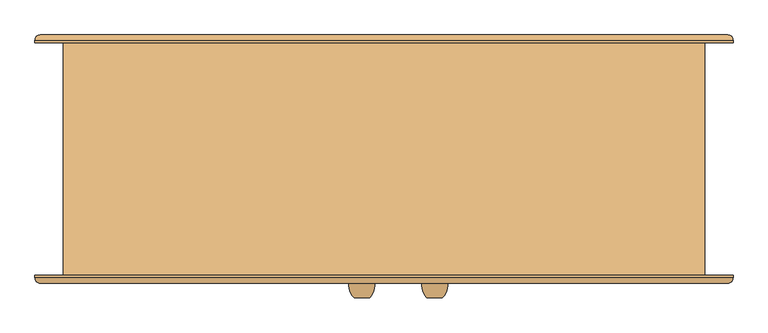
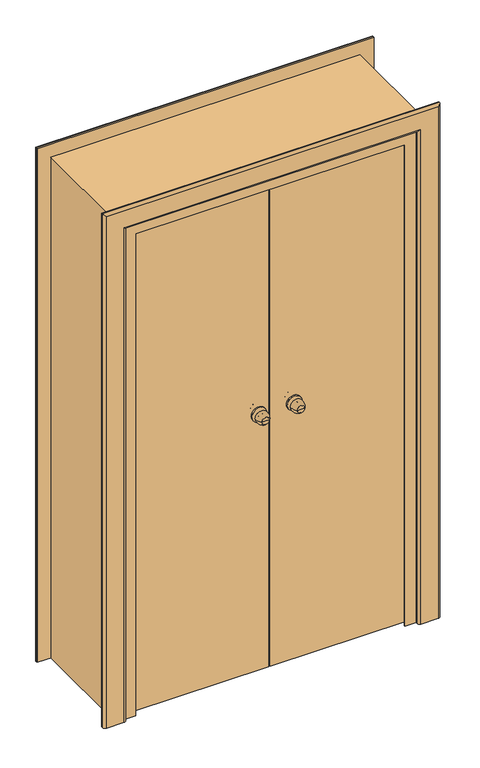
"""IFC4 building model written with IfcOpenShell, lengths in millimetres: door geometry."""

from ifc_helpers import new_model, si_unit, point, frame, origin, place, context, project, spatial, polyline, circle_curve, ellipse_curve, trimmed, outline, extrude, faceted_brep, source, transform, mapped, element, save
from ifc_brep_helpers import plane_surface, cylinder_surface, revolved_surface, advanced_brep


def door_4a08980d(model_context):
    return source(origin(), model_context, "Body", "SolidModel", [
        advanced_brep(
        [(-123.0, -268.0, 1100.0), (-153.0, -268.0, 1100.0), (-138.0, -268.0, 1100.0), (-113.0, -238.0, 1100.0), (-163.0, -238.0, 1100.0), (-120.0, -238.0, 1100.0), (-156.0, -238.0, 1100.0), (-128.0, -230.0, 1100.0), (-148.0, -230.0, 1100.0), (-128.0, -224.0, 1100.0), (-148.0, -224.0, 1100.0), (-168.0, -224.0, 1100.0), (-108.0, -224.0, 1100.0), (-168.0, -218.0, 1100.0), (-108.0, -218.0, 1100.0)],
        [
            (0, 1, circle_curve(frame((-138.0, -268.0, 1100.0), z_axis=(0.0, -1.0, 0.0), x_axis=(-1.0, 0.0, 0.0)), 15.0)),
            (1, 2),
            (2, 0),
            (1, 0, circle_curve(frame((-138.0, -268.0, 1100.0), z_axis=(0.0, -1.0, 0.0), x_axis=(-1.0, 0.0, 0.0)), 15.0)),
            (0, 3, circle_curve(frame((-147.6226265, -243.1257912, 1100.0), z_axis=(0.0, 0.0, 1.0), x_axis=(-1.0, 0.0, 0.0)), 35.0)),
            (3, 4, circle_curve(frame((-138.0, -238.0, 1100.0), z_axis=(0.0, -1.0, 0.0), x_axis=(-1.0, 0.0, 0.0)), 25.0)),
            (4, 1, circle_curve(frame((-128.3773735, -243.1257912, 1100.0), z_axis=(0.0, 0.0, 1.0), x_axis=(1.0, 0.0, 0.0)), 35.0)),
            (4, 3, circle_curve(frame((-138.0, -238.0, 1100.0), z_axis=(0.0, -1.0, 0.0), x_axis=(-1.0, 0.0, 0.0)), 25.0)),
            (3, 5),
            (5, 6, circle_curve(frame((-138.0, -238.0, 1100.0), z_axis=(0.0, -1.0, 0.0), x_axis=(-1.0, 0.0, 0.0)), 18.0)),
            (6, 4),
            (6, 5, circle_curve(frame((-138.0, -238.0, 1100.0), z_axis=(0.0, -1.0, 0.0), x_axis=(-1.0, 0.0, 0.0)), 18.0)),
            (5, 7, circle_curve(frame((-120.0, -230.0, 1100.0), z_axis=(0.0, 0.0, -1.0), x_axis=(-1.0, 0.0, 0.0)), 8.0)),
            (7, 8, circle_curve(frame((-138.0, -230.0, 1100.0), z_axis=(0.0, -1.0, 0.0), x_axis=(-1.0, 0.0, 0.0)), 10.0)),
            (8, 6, circle_curve(frame((-156.0, -230.0, 1100.0), z_axis=(0.0, 0.0, -1.0), x_axis=(1.0, 0.0, 0.0)), 8.0)),
            (8, 7, circle_curve(frame((-138.0, -230.0, 1100.0), z_axis=(0.0, -1.0, 0.0), x_axis=(-1.0, 0.0, 0.0)), 10.0)),
            (7, 9),
            (9, 10, circle_curve(frame((-138.0, -224.0, 1100.0), z_axis=(0.0, -1.0, 0.0), x_axis=(-1.0, 0.0, 0.0)), 10.0)),
            (10, 8),
            (10, 9, circle_curve(frame((-138.0, -224.0, 1100.0), z_axis=(0.0, -1.0, 0.0), x_axis=(-1.0, 0.0, 0.0)), 10.0)),
            (11, 12, circle_curve(frame((-138.0, -224.0, 1100.0), z_axis=(0.0, -1.0, 0.0), x_axis=(1.0, 0.0, 0.0)), 30.0)),
            (12, 11, circle_curve(frame((-138.0, -224.0, 1100.0), z_axis=(0.0, -1.0, 0.0), x_axis=(1.0, 0.0, 0.0)), 30.0)),
            (13, 14, circle_curve(frame((-138.0, -218.0, 1100.0), z_axis=(0.0, 1.0, 0.0), x_axis=(1.0, 0.0, 0.0)), 30.0)),
            (14, 13, circle_curve(frame((-138.0, -218.0, 1100.0), z_axis=(0.0, 1.0, 0.0), x_axis=(1.0, 0.0, 0.0)), 30.0)),
            (11, 13),
            (14, 12),
        ],
        [
            plane_surface(frame((-138.0, -268.0, 1100.0), z_axis=(0.0, -1.0, 0.0), x_axis=(-1.0, 0.0, 0.0))),
            revolved_surface(trimmed(ellipse_curve(frame((-128.3773735, -243.1257912, 1100.0), z_axis=(0.0, 0.0, -1.0), x_axis=(1.0, 0.0, 0.0)), 35.0, 35.0), [point((-153.0, -268.0, 1100.0))], [point((-163.0, -238.0, 1100.0))], True, "CARTESIAN"), (-138.0, -298.0, 1100.0), (0.0, 1.0, 0.0)),
            plane_surface(frame((-138.0, -238.0, 1100.0), z_axis=(0.0, 1.0, 0.0), x_axis=(-1.0, 0.0, 0.0))),
            revolved_surface(trimmed(ellipse_curve(frame((-156.0, -230.0, 1100.0), z_axis=(0.0, 0.0, 1.0), x_axis=(1.0, 0.0, 0.0)), 8.0, 8.0), [point((-156.0, -238.0, 1100.0))], [point((-148.0, -230.0, 1100.0))], True, "CARTESIAN"), (-138.0, -298.0, 1100.0), (0.0, 1.0, 0.0)),
            cylinder_surface(frame((-138.0, -298.0, 1100.0), z_axis=(0.0, 1.0, 0.0), x_axis=(-1.0, 0.0, 0.0)), 10.0),
            plane_surface(frame((-108.0, -224.0, 1100.0), z_axis=(0.0, -1.0, 0.0), x_axis=(0.0, 0.0, 1.0))),
            plane_surface(frame((-108.0, -218.0, 1100.0), z_axis=(0.0, 1.0, 0.0), x_axis=(0.0, 0.0, -1.0))),
            cylinder_surface(frame((-138.0, -218.0, 1100.0), z_axis=(0.0, -1.0, 0.0), x_axis=(1.0, 0.0, 0.0)), 30.0),
        ],
        [
            (0, [[1, 2, 3]]),
            (0, [[-2, 4, -3]]),
            (1, [[-1, 5, 6, 7]]),
            (1, [[-4, -7, 8, -5]]),
            (2, [[-6, 9, 10, 11]]),
            (2, [[-8, -11, 12, -9]]),
            (3, [[-10, 13, 14, 15]]),
            (3, [[-12, -15, 16, -13]]),
            (4, [[-14, 17, 18, 19]]),
            (4, [[-16, -19, 20, -17]]),
            (5, [[21, 22], [-18, -20]]),
            (6, [[23, 24]]),
            (7, [[-21, 25, -24, 26]]),
            (7, [[-22, -26, -23, -25]]),
        ],
    ),
        advanced_brep(
        [(-153.0, -128.0, 1100.0), (-123.0, -128.0, 1100.0), (-138.0, -128.0, 1100.0), (-163.0, -158.0, 1100.0), (-113.0, -158.0, 1100.0), (-156.0, -158.0, 1100.0), (-120.0, -158.0, 1100.0), (-148.0, -166.0, 1100.0), (-128.0, -166.0, 1100.0), (-148.0, -172.0, 1100.0), (-128.0, -172.0, 1100.0), (-108.0, -172.0, 1100.0), (-168.0, -172.0, 1100.0), (-108.0, -178.0, 1100.0), (-168.0, -178.0, 1100.0)],
        [
            (0, 1, circle_curve(frame((-138.0, -128.0, 1100.0), z_axis=(0.0, 1.0, 0.0), x_axis=(1.0, 0.0, 0.0)), 15.0)),
            (1, 2),
            (2, 0),
            (1, 0, circle_curve(frame((-138.0, -128.0, 1100.0), z_axis=(0.0, 1.0, 0.0), x_axis=(1.0, 0.0, 0.0)), 15.0)),
            (0, 3, circle_curve(frame((-128.3773735, -152.8742088, 1100.0), z_axis=(0.0, 0.0, 1.0), x_axis=(1.0, 0.0, 0.0)), 35.0)),
            (3, 4, circle_curve(frame((-138.0, -158.0, 1100.0), z_axis=(0.0, 1.0, 0.0), x_axis=(1.0, 0.0, 0.0)), 25.0)),
            (4, 1, circle_curve(frame((-147.6226265, -152.8742088, 1100.0), z_axis=(0.0, 0.0, 1.0), x_axis=(-1.0, 0.0, 0.0)), 35.0)),
            (4, 3, circle_curve(frame((-138.0, -158.0, 1100.0), z_axis=(0.0, 1.0, 0.0), x_axis=(1.0, 0.0, 0.0)), 25.0)),
            (3, 5),
            (5, 6, circle_curve(frame((-138.0, -158.0, 1100.0), z_axis=(0.0, 1.0, 0.0), x_axis=(1.0, 0.0, 0.0)), 18.0)),
            (6, 4),
            (6, 5, circle_curve(frame((-138.0, -158.0, 1100.0), z_axis=(0.0, 1.0, 0.0), x_axis=(1.0, 0.0, 0.0)), 18.0)),
            (5, 7, circle_curve(frame((-156.0, -166.0, 1100.0), z_axis=(0.0, 0.0, -1.0), x_axis=(1.0, 0.0, 0.0)), 8.0)),
            (7, 8, circle_curve(frame((-138.0, -166.0, 1100.0), z_axis=(0.0, 1.0, 0.0), x_axis=(1.0, 0.0, 0.0)), 10.0)),
            (8, 6, circle_curve(frame((-120.0, -166.0, 1100.0), z_axis=(0.0, 0.0, -1.0), x_axis=(-1.0, 0.0, 0.0)), 8.0)),
            (8, 7, circle_curve(frame((-138.0, -166.0, 1100.0), z_axis=(0.0, 1.0, 0.0), x_axis=(1.0, 0.0, 0.0)), 10.0)),
            (7, 9),
            (9, 10, circle_curve(frame((-138.0, -172.0, 1100.0), z_axis=(0.0, 1.0, 0.0), x_axis=(1.0, 0.0, 0.0)), 10.0)),
            (10, 8),
            (10, 9, circle_curve(frame((-138.0, -172.0, 1100.0), z_axis=(0.0, 1.0, 0.0), x_axis=(1.0, 0.0, 0.0)), 10.0)),
            (11, 12, circle_curve(frame((-138.0, -172.0, 1100.0), z_axis=(0.0, 1.0, 0.0), x_axis=(-1.0, 0.0, 0.0)), 30.0)),
            (12, 11, circle_curve(frame((-138.0, -172.0, 1100.0), z_axis=(0.0, 1.0, 0.0), x_axis=(-1.0, 0.0, 0.0)), 30.0)),
            (13, 14, circle_curve(frame((-138.0, -178.0, 1100.0), z_axis=(0.0, -1.0, 0.0), x_axis=(-1.0, 0.0, 0.0)), 30.0)),
            (14, 13, circle_curve(frame((-138.0, -178.0, 1100.0), z_axis=(0.0, -1.0, 0.0), x_axis=(-1.0, 0.0, 0.0)), 30.0)),
            (11, 13),
            (14, 12),
        ],
        [
            plane_surface(frame((-138.0, -128.0, 1100.0), z_axis=(0.0, 1.0, 0.0), x_axis=(1.0, 0.0, 0.0))),
            revolved_surface(trimmed(ellipse_curve(frame((-147.6226265, -152.8742088, 1100.0), z_axis=(0.0, 0.0, -1.0), x_axis=(-1.0, 0.0, 0.0)), 35.0, 35.0), [point((-123.0, -128.0, 1100.0))], [point((-113.0, -158.0, 1100.0))], True, "CARTESIAN"), (-138.0, -98.0, 1100.0), (0.0, -1.0, 0.0)),
            plane_surface(frame((-138.0, -158.0, 1100.0), z_axis=(0.0, -1.0, 0.0), x_axis=(1.0, 0.0, 0.0))),
            revolved_surface(trimmed(ellipse_curve(frame((-120.0, -166.0, 1100.0), z_axis=(0.0, 0.0, 1.0), x_axis=(-1.0, 0.0, 0.0)), 8.0, 8.0), [point((-120.0, -158.0, 1100.0))], [point((-128.0, -166.0, 1100.0))], True, "CARTESIAN"), (-138.0, -98.0, 1100.0), (0.0, -1.0, 0.0)),
            cylinder_surface(frame((-138.0, -98.0, 1100.0), z_axis=(0.0, -1.0, 0.0), x_axis=(1.0, 0.0, 0.0)), 10.0),
            plane_surface(frame((-168.0, -172.0, 1100.0), z_axis=(0.0, 1.0, 0.0), x_axis=(0.0, 0.0, 1.0))),
            plane_surface(frame((-168.0, -178.0, 1100.0), z_axis=(0.0, -1.0, 0.0), x_axis=(0.0, 0.0, -1.0))),
            cylinder_surface(frame((-138.0, -178.0, 1100.0), z_axis=(0.0, 1.0, 0.0), x_axis=(-1.0, 0.0, 0.0)), 30.0),
        ],
        [
            (0, [[1, 2, 3]]),
            (0, [[-2, 4, -3]]),
            (1, [[-1, 5, 6, 7]]),
            (1, [[-4, -7, 8, -5]]),
            (2, [[-6, 9, 10, 11]]),
            (2, [[-8, -11, 12, -9]]),
            (3, [[-10, 13, 14, 15]]),
            (3, [[-12, -15, 16, -13]]),
            (4, [[-14, 17, 18, 19]]),
            (4, [[-16, -19, 20, -17]]),
            (5, [[21, 22], [-18, -20]]),
            (6, [[23, 24]]),
            (7, [[-21, 25, -24, 26]]),
            (7, [[-22, -26, -23, -25]]),
        ],
    ),
        advanced_brep(
        [(18.0, -268.0, 1100.0), (-12.0, -268.0, 1100.0), (3.0, -268.0, 1100.0), (28.0, -238.0, 1100.0), (-22.0, -238.0, 1100.0), (21.0, -238.0, 1100.0), (-15.0, -238.0, 1100.0), (13.0, -230.0, 1100.0), (-7.0, -230.0, 1100.0), (13.0, -224.0, 1100.0), (-7.0, -224.0, 1100.0), (-27.0, -224.0, 1100.0), (33.0, -224.0, 1100.0), (-27.0, -218.0, 1100.0), (33.0, -218.0, 1100.0)],
        [
            (0, 1, circle_curve(frame((3.0, -268.0, 1100.0), z_axis=(0.0, -1.0, 0.0), x_axis=(-1.0, 0.0, 0.0)), 15.0)),
            (1, 2),
            (2, 0),
            (1, 0, circle_curve(frame((3.0, -268.0, 1100.0), z_axis=(0.0, -1.0, 0.0), x_axis=(-1.0, 0.0, 0.0)), 15.0)),
            (0, 3, circle_curve(frame((-6.6226265, -243.1257912, 1100.0), z_axis=(0.0, 0.0, 1.0), x_axis=(-1.0, 0.0, 0.0)), 35.0)),
            (3, 4, circle_curve(frame((3.0, -238.0, 1100.0), z_axis=(0.0, -1.0, 0.0), x_axis=(-1.0, 0.0, 0.0)), 25.0)),
            (4, 1, circle_curve(frame((12.6226265, -243.1257912, 1100.0), z_axis=(0.0, 0.0, 1.0), x_axis=(1.0, 0.0, 0.0)), 35.0)),
            (4, 3, circle_curve(frame((3.0, -238.0, 1100.0), z_axis=(0.0, -1.0, 0.0), x_axis=(-1.0, 0.0, 0.0)), 25.0)),
            (3, 5),
            (5, 6, circle_curve(frame((3.0, -238.0, 1100.0), z_axis=(0.0, -1.0, 0.0), x_axis=(-1.0, 0.0, 0.0)), 18.0)),
            (6, 4),
            (6, 5, circle_curve(frame((3.0, -238.0, 1100.0), z_axis=(0.0, -1.0, 0.0), x_axis=(-1.0, 0.0, 0.0)), 18.0)),
            (5, 7, circle_curve(frame((21.0, -230.0, 1100.0), z_axis=(0.0, 0.0, -1.0), x_axis=(-1.0, 0.0, 0.0)), 8.0)),
            (7, 8, circle_curve(frame((3.0, -230.0, 1100.0), z_axis=(0.0, -1.0, 0.0), x_axis=(-1.0, 0.0, 0.0)), 10.0)),
            (8, 6, circle_curve(frame((-15.0, -230.0, 1100.0), z_axis=(0.0, 0.0, -1.0), x_axis=(1.0, 0.0, 0.0)), 8.0)),
            (8, 7, circle_curve(frame((3.0, -230.0, 1100.0), z_axis=(0.0, -1.0, 0.0), x_axis=(-1.0, 0.0, 0.0)), 10.0)),
            (7, 9),
            (9, 10, circle_curve(frame((3.0, -224.0, 1100.0), z_axis=(0.0, -1.0, 0.0), x_axis=(-1.0, 0.0, 0.0)), 10.0)),
            (10, 8),
            (10, 9, circle_curve(frame((3.0, -224.0, 1100.0), z_axis=(0.0, -1.0, 0.0), x_axis=(-1.0, 0.0, 0.0)), 10.0)),
            (11, 12, circle_curve(frame((3.0, -224.0, 1100.0), z_axis=(0.0, -1.0, 0.0), x_axis=(1.0, 0.0, 0.0)), 30.0)),
            (12, 11, circle_curve(frame((3.0, -224.0, 1100.0), z_axis=(0.0, -1.0, 0.0), x_axis=(1.0, 0.0, 0.0)), 30.0)),
            (13, 14, circle_curve(frame((3.0, -218.0, 1100.0), z_axis=(0.0, 1.0, 0.0), x_axis=(1.0, 0.0, 0.0)), 30.0)),
            (14, 13, circle_curve(frame((3.0, -218.0, 1100.0), z_axis=(0.0, 1.0, 0.0), x_axis=(1.0, 0.0, 0.0)), 30.0)),
            (11, 13),
            (14, 12),
        ],
        [
            plane_surface(frame((3.0, -268.0, 1100.0), z_axis=(0.0, -1.0, 0.0), x_axis=(-1.0, 0.0, 0.0))),
            revolved_surface(trimmed(ellipse_curve(frame((12.6226265, -243.1257912, 1100.0), z_axis=(0.0, 0.0, -1.0), x_axis=(1.0, 0.0, 0.0)), 35.0, 35.0), [point((-12.0, -268.0, 1100.0))], [point((-22.0, -238.0, 1100.0))], True, "CARTESIAN"), (3.0, -298.0, 1100.0), (0.0, 1.0, 0.0)),
            plane_surface(frame((3.0, -238.0, 1100.0), z_axis=(0.0, 1.0, 0.0), x_axis=(-1.0, 0.0, 0.0))),
            revolved_surface(trimmed(ellipse_curve(frame((-15.0, -230.0, 1100.0), z_axis=(0.0, 0.0, 1.0), x_axis=(1.0, 0.0, 0.0)), 8.0, 8.0), [point((-15.0, -238.0, 1100.0))], [point((-7.0, -230.0, 1100.0))], True, "CARTESIAN"), (3.0, -298.0, 1100.0), (0.0, 1.0, 0.0)),
            cylinder_surface(frame((3.0, -298.0, 1100.0), z_axis=(0.0, 1.0, 0.0), x_axis=(-1.0, 0.0, 0.0)), 10.0),
            plane_surface(frame((33.0, -224.0, 1100.0), z_axis=(0.0, -1.0, 0.0), x_axis=(0.0, 0.0, 1.0))),
            plane_surface(frame((33.0, -218.0, 1100.0), z_axis=(0.0, 1.0, 0.0), x_axis=(0.0, 0.0, -1.0))),
            cylinder_surface(frame((3.0, -218.0, 1100.0), z_axis=(0.0, -1.0, 0.0), x_axis=(1.0, 0.0, 0.0)), 30.0),
        ],
        [
            (0, [[1, 2, 3]]),
            (0, [[-2, 4, -3]]),
            (1, [[-1, 5, 6, 7]]),
            (1, [[-4, -7, 8, -5]]),
            (2, [[-6, 9, 10, 11]]),
            (2, [[-8, -11, 12, -9]]),
            (3, [[-10, 13, 14, 15]]),
            (3, [[-12, -15, 16, -13]]),
            (4, [[-14, 17, 18, 19]]),
            (4, [[-16, -19, 20, -17]]),
            (5, [[21, 22], [-18, -20]]),
            (6, [[23, 24]]),
            (7, [[-21, 25, -24, 26]]),
            (7, [[-22, -26, -23, -25]]),
        ],
    ),
        advanced_brep(
        [(-12.0, -128.0, 1100.0), (18.0, -128.0, 1100.0), (3.0, -128.0, 1100.0), (-22.0, -158.0, 1100.0), (28.0, -158.0, 1100.0), (-15.0, -158.0, 1100.0), (21.0, -158.0, 1100.0), (-7.0, -166.0, 1100.0), (13.0, -166.0, 1100.0), (-7.0, -172.0, 1100.0), (13.0, -172.0, 1100.0), (33.0, -172.0, 1100.0), (-27.0, -172.0, 1100.0), (33.0, -178.0, 1100.0), (-27.0, -178.0, 1100.0)],
        [
            (0, 1, circle_curve(frame((3.0, -128.0, 1100.0), z_axis=(0.0, 1.0, 0.0), x_axis=(1.0, 0.0, 0.0)), 15.0)),
            (1, 2),
            (2, 0),
            (1, 0, circle_curve(frame((3.0, -128.0, 1100.0), z_axis=(0.0, 1.0, 0.0), x_axis=(1.0, 0.0, 0.0)), 15.0)),
            (0, 3, circle_curve(frame((12.6226265, -152.8742088, 1100.0), z_axis=(0.0, 0.0, 1.0), x_axis=(1.0, 0.0, 0.0)), 35.0)),
            (3, 4, circle_curve(frame((3.0, -158.0, 1100.0), z_axis=(0.0, 1.0, 0.0), x_axis=(1.0, 0.0, 0.0)), 25.0)),
            (4, 1, circle_curve(frame((-6.6226265, -152.8742088, 1100.0), z_axis=(0.0, 0.0, 1.0), x_axis=(-1.0, 0.0, 0.0)), 35.0)),
            (4, 3, circle_curve(frame((3.0, -158.0, 1100.0), z_axis=(0.0, 1.0, 0.0), x_axis=(1.0, 0.0, 0.0)), 25.0)),
            (3, 5),
            (5, 6, circle_curve(frame((3.0, -158.0, 1100.0), z_axis=(0.0, 1.0, 0.0), x_axis=(1.0, 0.0, 0.0)), 18.0)),
            (6, 4),
            (6, 5, circle_curve(frame((3.0, -158.0, 1100.0), z_axis=(0.0, 1.0, 0.0), x_axis=(1.0, 0.0, 0.0)), 18.0)),
            (5, 7, circle_curve(frame((-15.0, -166.0, 1100.0), z_axis=(0.0, 0.0, -1.0), x_axis=(1.0, 0.0, 0.0)), 8.0)),
            (7, 8, circle_curve(frame((3.0, -166.0, 1100.0), z_axis=(0.0, 1.0, 0.0), x_axis=(1.0, 0.0, 0.0)), 10.0)),
            (8, 6, circle_curve(frame((21.0, -166.0, 1100.0), z_axis=(0.0, 0.0, -1.0), x_axis=(-1.0, 0.0, 0.0)), 8.0)),
            (8, 7, circle_curve(frame((3.0, -166.0, 1100.0), z_axis=(0.0, 1.0, 0.0), x_axis=(1.0, 0.0, 0.0)), 10.0)),
            (7, 9),
            (9, 10, circle_curve(frame((3.0, -172.0, 1100.0), z_axis=(0.0, 1.0, 0.0), x_axis=(1.0, 0.0, 0.0)), 10.0)),
            (10, 8),
            (10, 9, circle_curve(frame((3.0, -172.0, 1100.0), z_axis=(0.0, 1.0, 0.0), x_axis=(1.0, 0.0, 0.0)), 10.0)),
            (11, 12, circle_curve(frame((3.0, -172.0, 1100.0), z_axis=(0.0, 1.0, 0.0), x_axis=(-1.0, 0.0, 0.0)), 30.0)),
            (12, 11, circle_curve(frame((3.0, -172.0, 1100.0), z_axis=(0.0, 1.0, 0.0), x_axis=(-1.0, 0.0, 0.0)), 30.0)),
            (13, 14, circle_curve(frame((3.0, -178.0, 1100.0), z_axis=(0.0, -1.0, 0.0), x_axis=(-1.0, 0.0, 0.0)), 30.0)),
            (14, 13, circle_curve(frame((3.0, -178.0, 1100.0), z_axis=(0.0, -1.0, 0.0), x_axis=(-1.0, 0.0, 0.0)), 30.0)),
            (11, 13),
            (14, 12),
        ],
        [
            plane_surface(frame((3.0, -128.0, 1100.0), z_axis=(0.0, 1.0, 0.0), x_axis=(1.0, 0.0, 0.0))),
            revolved_surface(trimmed(ellipse_curve(frame((-6.6226265, -152.8742088, 1100.0), z_axis=(0.0, 0.0, -1.0), x_axis=(-1.0, 0.0, 0.0)), 35.0, 35.0), [point((18.0, -128.0, 1100.0))], [point((28.0, -158.0, 1100.0))], True, "CARTESIAN"), (3.0, -98.0, 1100.0), (0.0, -1.0, 0.0)),
            plane_surface(frame((3.0, -158.0, 1100.0), z_axis=(0.0, -1.0, 0.0), x_axis=(1.0, 0.0, 0.0))),
            revolved_surface(trimmed(ellipse_curve(frame((21.0, -166.0, 1100.0), z_axis=(0.0, 0.0, 1.0), x_axis=(-1.0, 0.0, 0.0)), 8.0, 8.0), [point((21.0, -158.0, 1100.0))], [point((13.0, -166.0, 1100.0))], True, "CARTESIAN"), (3.0, -98.0, 1100.0), (0.0, -1.0, 0.0)),
            cylinder_surface(frame((3.0, -98.0, 1100.0), z_axis=(0.0, -1.0, 0.0), x_axis=(1.0, 0.0, 0.0)), 10.0),
            plane_surface(frame((-27.0, -172.0, 1100.0), z_axis=(0.0, 1.0, 0.0), x_axis=(0.0, 0.0, 1.0))),
            plane_surface(frame((-27.0, -178.0, 1100.0), z_axis=(0.0, -1.0, 0.0), x_axis=(0.0, 0.0, -1.0))),
            cylinder_surface(frame((3.0, -178.0, 1100.0), z_axis=(0.0, 1.0, 0.0), x_axis=(-1.0, 0.0, 0.0)), 30.0),
        ],
        [
            (0, [[1, 2, 3]]),
            (0, [[-2, 4, -3]]),
            (1, [[-1, 5, 6, 7]]),
            (1, [[-4, -7, 8, -5]]),
            (2, [[-6, 9, 10, 11]]),
            (2, [[-8, -11, 12, -9]]),
            (3, [[-10, 13, 14, 15]]),
            (3, [[-12, -15, 16, -13]]),
            (4, [[-14, 17, 18, 19]]),
            (4, [[-16, -19, 20, -17]]),
            (5, [[21, 22], [-18, -20]]),
            (6, [[23, 24]]),
            (7, [[-21, 25, -24, 26]]),
            (7, [[-22, -26, -23, -25]]),
        ],
    ),
        faceted_brep([(-650.0, -183.0, 15.0), (-670.0, -183.0, 15.0), (-670.0, -178.0, 15.0), (-63.0, -178.0, 15.0), (-63.0, -193.0, 15.0), (-98.0, -193.0, 15.0), (-98.0, -218.0, 15.0), (-650.0, -218.0, 15.0), (-670.0, -183.0, 2075.0), (-650.0, -183.0, 2055.0), (-63.0, -183.0, 2055.0), (-63.0, -183.0, 2075.0), (-670.0, -178.0, 2075.0), (-63.0, -178.0, 2075.0), (-63.0, -193.0, 2055.0), (-98.0, -193.0, 2055.0), (-98.0, -218.0, 2055.0), (-650.0, -218.0, 2055.0)], [[[0, 1, 2, 3, 4, 5, 6, 7]], [[8, 1, 0, 9, 10, 11]], [[8, 12, 2, 1]], [[12, 13, 3, 2]], [[4, 3, 13, 11, 10, 14]], [[5, 4, 14, 15]], [[6, 5, 15, 16]], [[7, 6, 16, 17]], [[0, 7, 17, 9]], [[13, 12, 8, 11]], [[10, 9, 17, 16, 15, 14]]]),
        advanced_brep(
        [(580.0, 225.0, 0.0), (490.0, 225.0, 0.0), (490.0, 230.0, 0.0), (500.0, 240.0, 0.0), (570.0, 240.0, 0.0), (580.0, 230.0, 0.0), (580.0, 225.0, 2175.0), (-770.0, 225.0, 2175.0), (-770.0, 225.0, 0.0), (-680.0, 225.0, 0.0), (-680.0, 225.0, 2085.0), (490.0, 225.0, 2085.0), (490.0, 230.0, 2085.0), (500.0, 240.0, 2095.0), (-690.0, 240.0, 2095.0), (-690.0, 240.0, 0.0), (-760.0, 240.0, 0.0), (-760.0, 240.0, 2165.0), (570.0, 240.0, 2165.0), (580.0, 230.0, 2175.0), (-770.0, 230.0, 2175.0), (-770.0, 230.0, 0.0), (-680.0, 230.0, 0.0), (-680.0, 230.0, 2085.0)],
        [
            (0, 1),
            (1, 2),
            (2, 3, circle_curve(frame((500.0, 230.0, 0.0), z_axis=(0.0, 0.0, -1.0), x_axis=(1.0, 0.0, 0.0)), 10.0)),
            (3, 4),
            (4, 5, circle_curve(frame((570.0, 230.0, 0.0), z_axis=(0.0, 0.0, -1.0), x_axis=(1.0, 0.0, 0.0)), 10.0)),
            (5, 0),
            (0, 6),
            (6, 7),
            (7, 8),
            (8, 9),
            (9, 10),
            (10, 11),
            (11, 1),
            (11, 12),
            (12, 2),
            (12, 13, ellipse_curve(frame((500.0, 230.0, 2095.0), z_axis=(0.7071067811865475, 0.0, -0.7071067811865475), x_axis=(-0.7071067811865474, 0.0, -0.7071067811865476)), 14.1421356, 10.0)),
            (13, 3),
            (13, 14),
            (14, 15),
            (15, 16),
            (16, 17),
            (17, 18),
            (18, 4),
            (18, 19, ellipse_curve(frame((570.0, 230.0, 2165.0), z_axis=(0.7071067811865475, 0.0, -0.7071067811865475), x_axis=(-0.7071067811865474, 0.0, -0.7071067811865476)), 14.1421356, 10.0)),
            (19, 5),
            (19, 6),
            (7, 20),
            (20, 21),
            (21, 8),
            (21, 16, circle_curve(frame((-760.0, 230.0, 0.0), z_axis=(0.0, 0.0, -1.0), x_axis=(-1.0, 0.0, 0.0)), 10.0)),
            (15, 22, circle_curve(frame((-690.0, 230.0, 0.0), z_axis=(0.0, 0.0, -1.0), x_axis=(-1.0, 0.0, 0.0)), 10.0)),
            (22, 9),
            (23, 10),
            (22, 23),
            (14, 23, ellipse_curve(frame((-690.0, 230.0, 2095.0), z_axis=(-0.7071067811865475, 0.0, -0.7071067811865475), x_axis=(-0.7071067811865474, 0.0, 0.7071067811865476)), 14.1421356, 10.0)),
            (20, 17, ellipse_curve(frame((-760.0, 230.0, 2165.0), z_axis=(-0.7071067811865475, 0.0, -0.7071067811865475), x_axis=(-0.7071067811865474, 0.0, 0.7071067811865476)), 14.1421356, 10.0)),
            (23, 12),
            (20, 19),
        ],
        [
            plane_surface(frame((525.0, 225.0, 0.0), z_axis=(0.0, 0.0, -1.0), x_axis=(0.0, -1.0, 0.0))),
            plane_surface(frame((580.0, 225.0, 0.0), z_axis=(0.0, -1.0, 0.0), x_axis=(0.0, 0.0, 1.0))),
            plane_surface(frame((490.0, 225.0, 0.0), z_axis=(-1.0, 0.0, 0.0), x_axis=(0.0, 0.0, 1.0))),
            cylinder_surface(frame((500.0, 230.0, 0.0), z_axis=(0.0, 0.0, -1.0), x_axis=(1.0, 0.0, 0.0)), 10.0),
            plane_surface(frame((500.0, 240.0, 0.0), z_axis=(0.0, 1.0, 0.0), x_axis=(0.0, 0.0, 1.0))),
            cylinder_surface(frame((570.0, 230.0, 0.0), z_axis=(0.0, 0.0, -1.0), x_axis=(1.0, 0.0, 0.0)), 10.0),
            plane_surface(frame((580.0, 230.0, 0.0), z_axis=(1.0, 0.0, 0.0), x_axis=(0.0, 0.0, 1.0))),
            plane_surface(frame((-770.0, 230.0, 2175.0), z_axis=(-1.0, 0.0, 0.0), x_axis=(0.0, 0.0, -1.0))),
            plane_surface(frame((-715.0, 225.0, 0.0), z_axis=(0.0, 0.0, -1.0), x_axis=(0.0, -1.0, 0.0))),
            plane_surface(frame((-680.0, 225.0, 2085.0), z_axis=(1.0, 0.0, 0.0), x_axis=(0.0, 0.0, -1.0))),
            cylinder_surface(frame((-690.0, 230.0, 2120.0), z_axis=(0.0, 0.0, 1.0), x_axis=(-1.0, 0.0, 0.0)), 10.0),
            cylinder_surface(frame((-760.0, 230.0, 2120.0), z_axis=(0.0, 0.0, 1.0), x_axis=(-1.0, 0.0, 0.0)), 10.0),
            plane_surface(frame((490.0, 225.0, 2085.0), z_axis=(0.0, 0.0, -1.0), x_axis=(-1.0, 0.0, 0.0))),
            cylinder_surface(frame((525.0, 230.0, 2095.0), z_axis=(1.0, 0.0, 0.0), x_axis=(0.0, 0.0, 1.0)), 10.0),
            cylinder_surface(frame((525.0, 230.0, 2165.0), z_axis=(1.0, 0.0, 0.0), x_axis=(0.0, 0.0, 1.0)), 10.0),
            plane_surface(frame((580.0, 230.0, 2175.0), z_axis=(0.0, 0.0, 1.0), x_axis=(-1.0, 0.0, 0.0))),
        ],
        [
            (0, [[1, 2, 3, 4, 5, 6]]),
            (1, [[-1, 7, 8, 9, 10, 11, 12, 13]]),
            (2, [[-2, -13, 14, 15]]),
            (3, [[-3, -15, 16, 17]]),
            (4, [[-4, -17, 18, 19, 20, 21, 22, 23]]),
            (5, [[-5, -23, 24, 25]]),
            (6, [[-6, -25, 26, -7]]),
            (7, [[27, 28, 29, -9]]),
            (8, [[-29, 30, -20, 31, 32, -10]]),
            (9, [[33, -11, -32, 34]]),
            (10, [[35, -34, -31, -19]]),
            (11, [[36, -21, -30, -28]]),
            (12, [[-14, -12, -33, 37]]),
            (13, [[-16, -37, -35, -18]]),
            (14, [[-24, -22, -36, 38]]),
            (15, [[-26, -38, -27, -8]]),
        ],
    ),
        faceted_brep([(460.0, -183.0, 15.0), (460.0, -218.0, 15.0), (-92.0, -218.0, 15.0), (-92.0, -199.0, 15.0), (-57.0, -199.0, 15.0), (-57.0, -178.0, 15.0), (480.0, -178.0, 15.0), (480.0, -183.0, 15.0), (460.0, -183.0, 2055.0), (460.0, -218.0, 2055.0), (-63.0, -218.0, 2055.0), (-92.0, -218.0, 2055.0), (-92.0, -199.0, 2055.0), (-63.0, -199.0, 2055.0), (-57.0, -199.0, 2055.0), (-57.0, -183.0, 2055.0), (-57.0, -183.0, 2075.0), (-57.0, -178.0, 2075.0), (480.0, -178.0, 2075.0), (480.0, -183.0, 2075.0)], [[[0, 1, 2, 3, 4, 5, 6, 7]], [[1, 0, 8, 9]], [[2, 1, 9, 10, 11]], [[3, 2, 11, 12]], [[4, 3, 12, 13, 14]], [[5, 4, 14, 15, 16, 17]], [[17, 18, 6, 5]], [[18, 19, 7, 6]], [[0, 7, 19, 16, 15, 8]], [[19, 18, 17, 16]], [[8, 15, 14, 13, 12, 11, 10, 9]]]),
        faceted_brep([(445.0, -225.0, 0.0), (445.0, -220.0, 0.0), (465.0, -220.0, 0.0), (465.0, -185.0, 0.0), (505.0, -185.0, 0.0), (505.0, -225.0, 0.0), (445.0, -225.0, 2040.0), (445.0, -220.0, 2040.0), (-635.0, -220.0, 2040.0), (-635.0, -220.0, 0.0), (-655.0, -220.0, 0.0), (-655.0, -220.0, 2060.0), (465.0, -220.0, 2060.0), (465.0, -185.0, 2060.0), (-655.0, -185.0, 2060.0), (-655.0, -185.0, 0.0), (-695.0, -185.0, 0.0), (-695.0, -185.0, 2100.0), (505.0, -185.0, 2100.0), (505.0, -225.0, 2100.0), (-695.0, -225.0, 2100.0), (-695.0, -225.0, 0.0), (-635.0, -225.0, 0.0), (-635.0, -225.0, 2040.0)], [[[0, 1, 2, 3, 4, 5]], [[1, 0, 6, 7]], [[2, 1, 7, 8, 9, 10, 11, 12]], [[3, 2, 12, 13]], [[4, 3, 13, 14, 15, 16, 17, 18]], [[5, 4, 18, 19]], [[0, 5, 19, 20, 21, 22, 23, 6]], [[8, 23, 22, 9]], [[22, 21, 16, 15, 10, 9]], [[14, 11, 10, 15]], [[20, 17, 16, 21]], [[7, 6, 23, 8]], [[13, 12, 11, 14]], [[19, 18, 17, 20]]]),
        extrude(outline(polyline([(0.0, 490.0), (0.0, 505.0), (2100.0, 505.0), (2100.0, -695.0), (0.0, -695.0), (0.0, -680.0), (2085.0, -680.0), (2085.0, 490.0), (0.0, 490.0)])), frame((0.0, -185.0, 0.0), z_axis=(0.0, 1.0, 0.0), x_axis=(0.0, 0.0, 1.0)), (0.0, 0.0, 1.0), 410.0),
        faceted_brep([(525.0, -225.0, 0.0), (505.0, -225.0, 0.0), (505.0, -185.0, 0.0), (505.0, 225.0, 0.0), (525.0, 225.0, 0.0), (525.0, -225.0, 2120.0), (-715.0, -225.0, 2120.0), (-715.0, -225.0, 0.0), (-695.0, -225.0, 0.0), (-695.0, -225.0, 2100.0), (505.0, -225.0, 2100.0), (505.0, -185.0, 2100.0), (505.0, 225.0, 2100.0), (-695.0, 225.0, 2100.0), (-695.0, 225.0, 0.0), (-715.0, 225.0, 0.0), (-715.0, 225.0, 2120.0), (525.0, 225.0, 2120.0), (-695.0, -185.0, 0.0), (-695.0, -185.0, 2100.0)], [[[0, 1, 2, 3, 4]], [[1, 0, 5, 6, 7, 8, 9, 10]], [[1, 10, 11, 12, 3, 2]], [[4, 3, 12, 13, 14, 15, 16, 17]], [[0, 4, 17, 5]], [[9, 8, 18, 14, 13, 19]], [[7, 15, 14, 18, 8]], [[6, 16, 15, 7]], [[10, 9, 19, 13, 12, 11]], [[5, 17, 16, 6]]]),
        advanced_brep(
        [(-770.0, -225.0, 0.0), (-680.0, -225.0, 0.0), (-680.0, -230.0, 0.0), (-690.0, -240.0, 0.0), (-760.0, -240.0, 0.0), (-770.0, -230.0, 0.0), (-770.0, -225.0, 2175.0), (580.0, -225.0, 2175.0), (580.0, -225.0, 0.0), (490.0, -225.0, 0.0), (490.0, -225.0, 2085.0), (-680.0, -225.0, 2085.0), (-680.0, -230.0, 2085.0), (-690.0, -240.0, 2095.0), (500.0, -240.0, 2095.0), (500.0, -240.0, 0.0), (570.0, -240.0, 0.0), (570.0, -240.0, 2165.0), (-760.0, -240.0, 2165.0), (-770.0, -230.0, 2175.0), (580.0, -230.0, 2175.0), (580.0, -230.0, 0.0), (490.0, -230.0, 0.0), (490.0, -230.0, 2085.0)],
        [
            (0, 1),
            (1, 2),
            (2, 3, circle_curve(frame((-690.0, -230.0, 0.0), z_axis=(0.0, 0.0, -1.0), x_axis=(-1.0, 0.0, 0.0)), 10.0)),
            (3, 4),
            (4, 5, circle_curve(frame((-760.0, -230.0, 0.0), z_axis=(0.0, 0.0, -1.0), x_axis=(-1.0, 0.0, 0.0)), 10.0)),
            (5, 0),
            (0, 6),
            (6, 7),
            (7, 8),
            (8, 9),
            (9, 10),
            (10, 11),
            (11, 1),
            (11, 12),
            (12, 2),
            (12, 13, ellipse_curve(frame((-690.0, -230.0, 2095.0), z_axis=(-0.7071067811865475, 0.0, -0.7071067811865475), x_axis=(0.7071067811865474, 0.0, -0.7071067811865476)), 14.1421356, 10.0)),
            (13, 3),
            (13, 14),
            (14, 15),
            (15, 16),
            (16, 17),
            (17, 18),
            (18, 4),
            (18, 19, ellipse_curve(frame((-760.0, -230.0, 2165.0), z_axis=(-0.7071067811865475, 0.0, -0.7071067811865475), x_axis=(0.7071067811865474, 0.0, -0.7071067811865476)), 14.1421356, 10.0)),
            (19, 5),
            (19, 6),
            (7, 20),
            (20, 21),
            (21, 8),
            (21, 16, circle_curve(frame((570.0, -230.0, 0.0), z_axis=(0.0, 0.0, -1.0), x_axis=(1.0, 0.0, 0.0)), 10.0)),
            (15, 22, circle_curve(frame((500.0, -230.0, 0.0), z_axis=(0.0, 0.0, -1.0), x_axis=(1.0, 0.0, 0.0)), 10.0)),
            (22, 9),
            (23, 10),
            (22, 23),
            (14, 23, ellipse_curve(frame((500.0, -230.0, 2095.0), z_axis=(0.7071067811865475, 0.0, -0.7071067811865475), x_axis=(0.7071067811865474, 0.0, 0.7071067811865476)), 14.1421356, 10.0)),
            (20, 17, ellipse_curve(frame((570.0, -230.0, 2165.0), z_axis=(0.7071067811865475, 0.0, -0.7071067811865475), x_axis=(0.7071067811865474, 0.0, 0.7071067811865476)), 14.1421356, 10.0)),
            (23, 12),
            (20, 19),
        ],
        [
            plane_surface(frame((-715.0, -225.0, 0.0), z_axis=(0.0, 0.0, -1.0), x_axis=(0.0, -1.0, 0.0))),
            plane_surface(frame((-770.0, -225.0, 0.0), z_axis=(0.0, 1.0, 0.0), x_axis=(0.0, 0.0, 1.0))),
            plane_surface(frame((-680.0, -225.0, 0.0), z_axis=(1.0, 0.0, 0.0), x_axis=(0.0, 0.0, 1.0))),
            cylinder_surface(frame((-690.0, -230.0, 0.0), z_axis=(0.0, 0.0, -1.0), x_axis=(-1.0, 0.0, 0.0)), 10.0),
            plane_surface(frame((-690.0, -240.0, 0.0), z_axis=(0.0, -1.0, 0.0), x_axis=(0.0, 0.0, 1.0))),
            cylinder_surface(frame((-760.0, -230.0, 0.0), z_axis=(0.0, 0.0, -1.0), x_axis=(-1.0, 0.0, 0.0)), 10.0),
            plane_surface(frame((-770.0, -230.0, 0.0), z_axis=(-1.0, 0.0, 0.0), x_axis=(0.0, 0.0, 1.0))),
            plane_surface(frame((580.0, -230.0, 2175.0), z_axis=(1.0, 0.0, 0.0), x_axis=(0.0, 0.0, -1.0))),
            plane_surface(frame((525.0, -225.0, 0.0), z_axis=(0.0, 0.0, -1.0), x_axis=(0.0, -1.0, 0.0))),
            plane_surface(frame((490.0, -225.0, 2085.0), z_axis=(-1.0, 0.0, 0.0), x_axis=(0.0, 0.0, -1.0))),
            cylinder_surface(frame((500.0, -230.0, 2120.0), z_axis=(0.0, 0.0, 1.0), x_axis=(1.0, 0.0, 0.0)), 10.0),
            cylinder_surface(frame((570.0, -230.0, 2120.0), z_axis=(0.0, 0.0, 1.0), x_axis=(1.0, 0.0, 0.0)), 10.0),
            plane_surface(frame((-680.0, -225.0, 2085.0), z_axis=(0.0, 0.0, -1.0), x_axis=(1.0, 0.0, 0.0))),
            cylinder_surface(frame((-715.0, -230.0, 2095.0), z_axis=(-1.0, 0.0, 0.0), x_axis=(0.0, 0.0, 1.0)), 10.0),
            cylinder_surface(frame((-715.0, -230.0, 2165.0), z_axis=(-1.0, 0.0, 0.0), x_axis=(0.0, 0.0, 1.0)), 10.0),
            plane_surface(frame((-770.0, -230.0, 2175.0), z_axis=(0.0, 0.0, 1.0), x_axis=(1.0, 0.0, 0.0))),
        ],
        [
            (0, [[1, 2, 3, 4, 5, 6]]),
            (1, [[-1, 7, 8, 9, 10, 11, 12, 13]]),
            (2, [[-2, -13, 14, 15]]),
            (3, [[-3, -15, 16, 17]]),
            (4, [[-4, -17, 18, 19, 20, 21, 22, 23]]),
            (5, [[-5, -23, 24, 25]]),
            (6, [[-6, -25, 26, -7]]),
            (7, [[27, 28, 29, -9]]),
            (8, [[-29, 30, -20, 31, 32, -10]]),
            (9, [[33, -11, -32, 34]]),
            (10, [[35, -34, -31, -19]]),
            (11, [[36, -21, -30, -28]]),
            (12, [[-14, -12, -33, 37]]),
            (13, [[-16, -37, -35, -18]]),
            (14, [[-24, -22, -36, 38]]),
            (15, [[-26, -38, -27, -8]]),
        ],
    ),
    ])


if __name__ == "__main__":
    model = new_model("IFC4")
    model_context = context("Model", 3, world=origin())
    ifc_project = project(units=[si_unit("LENGTHUNIT", "METRE", prefix="MILLI")], contexts=[model_context])
    site = spatial("IfcSite", under=ifc_project)
    building = spatial("IfcBuilding", under=site)
    placement = place(None, origin())
    door_shape = door_4a08980d(model_context)
    element("IfcDoor", 1, at=placement, inside=building, context=model_context, shape_type="MappedRepresentation", body=[
        mapped(door_shape, transform((0.0, 0.0, 0.0), x_axis=(1.0, 0.0, 0.0), y_axis=(0.0, 1.0, 0.0), z_axis=(0.0, 0.0, 1.0))),
    ])
    save(model, "model.ifc")
